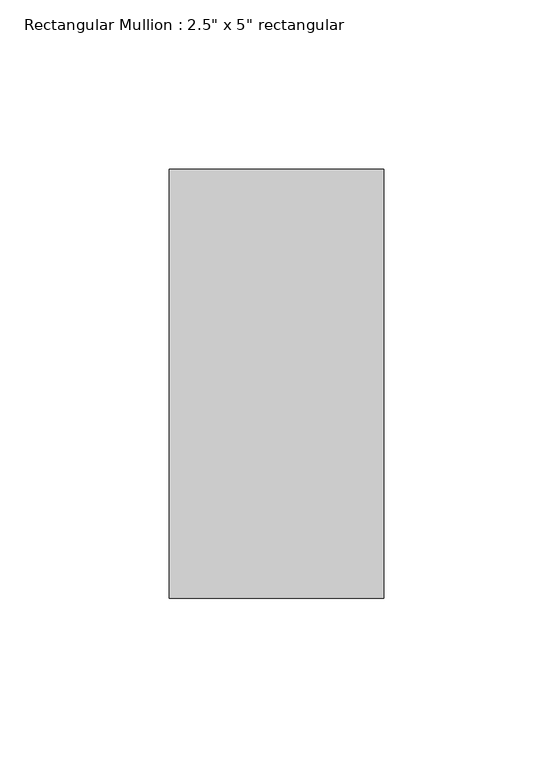
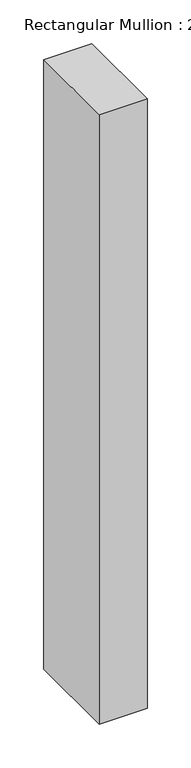
"""IFC4 building model written with IfcOpenShell, lengths in millimetres: member geometry."""

from ifc_helpers import new_model, si_unit, frame, origin, place, context, project, spatial, polyline, outline, extrude, source, transform, mapped, element, save


def member_5ef668ad(model_context):
    return source(origin(), model_context, "Body", "SweptSolid", [
        extrude(outline(polyline([(31.75, 63.5), (31.75, -63.5), (-31.75, -63.5), (-31.75, 63.5), (31.75, 63.5)])), frame((0.0, 0.0, -851.75), z_axis=(0.0, 0.0, 1.0), x_axis=(1.0, 0.0, 0.0)), (0.0, 0.0, 1.0), 851.75),
    ])


if __name__ == "__main__":
    model = new_model("IFC4")
    model_context = context("Model", 3, world=origin())
    ifc_project = project(units=[si_unit("LENGTHUNIT", "METRE", prefix="MILLI")], contexts=[model_context])
    site = spatial("IfcSite", under=ifc_project)
    building = spatial("IfcBuilding", under=site)
    placement = place(None, origin())
    member_shape = member_5ef668ad(model_context)
    element("IfcMember", 1, ObjectType="Rectangular Mullion : 2.5\" x 5\" rectangular", at=placement, inside=building, context=model_context, shape_type="MappedRepresentation", body=[
        mapped(member_shape, transform((0.0, 0.0, 0.0), x_axis=(1.0, 0.0, 0.0), y_axis=(0.0, 1.0, 0.0), z_axis=(0.0, 0.0, 1.0))),
    ])
    save(model, "model.ifc")
